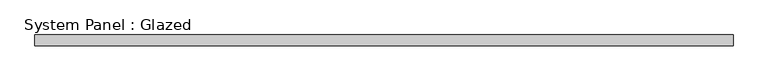
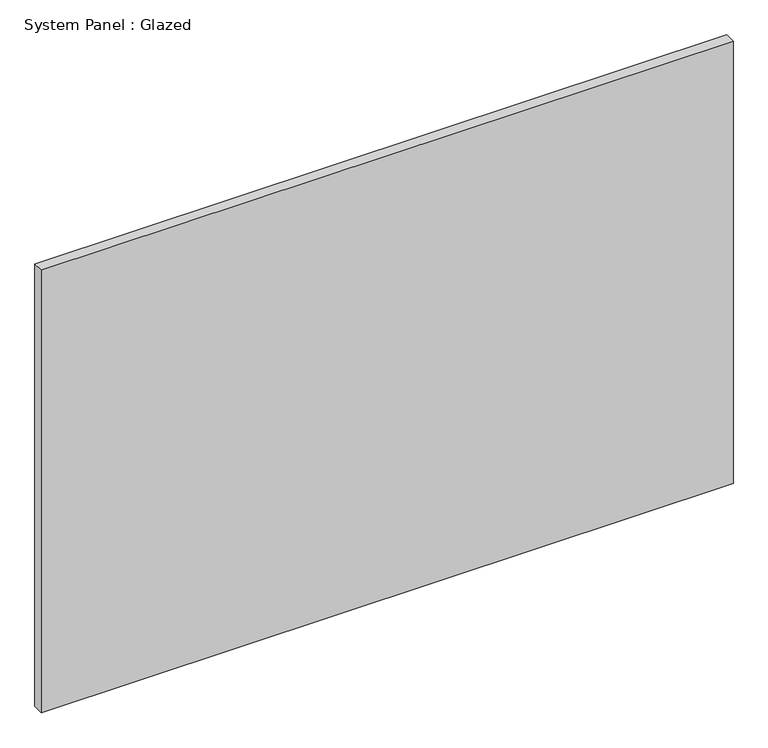
"""IFC4 building model written with IfcOpenShell, lengths in millimetres: plate geometry, System Panel : Glazed."""

from ifc_helpers import new_model, si_unit, origin, origin_with_axes, place, context, project, spatial, polyline, outline, extrude, source, transform, mapped, element, save


def system_panel_glazed_0e8c7f32(model_context):
    return source(origin(), model_context, "Body", "SweptSolid", [
        extrude(outline(polyline([(809.1455333, 24.5), (-809.1455333, 24.5), (-809.1455333, 49.5), (809.1455333, 49.5), (809.1455333, 24.5)])), origin_with_axes(), (0.0, 0.0, 1.0), 1095.0),
    ])


if __name__ == "__main__":
    model = new_model("IFC4")
    model_context = context("Model", 3, world=origin())
    ifc_project = project(units=[si_unit("LENGTHUNIT", "METRE", prefix="MILLI")], contexts=[model_context])
    site = spatial("IfcSite", under=ifc_project)
    building = spatial("IfcBuilding", under=site)
    placement = place(None, origin())
    system_panel_glazed_shape = system_panel_glazed_0e8c7f32(model_context)
    element("IfcPlate", 1, ObjectType="System Panel : Glazed", at=placement, inside=building, context=model_context, shape_type="MappedRepresentation", body=[
        mapped(system_panel_glazed_shape, transform((0.0, 0.0, 0.0), x_axis=(1.0, 0.0, 0.0), y_axis=(0.0, 1.0, 0.0), z_axis=(0.0, 0.0, 1.0))),
    ])
    save(model, "model.ifc")
